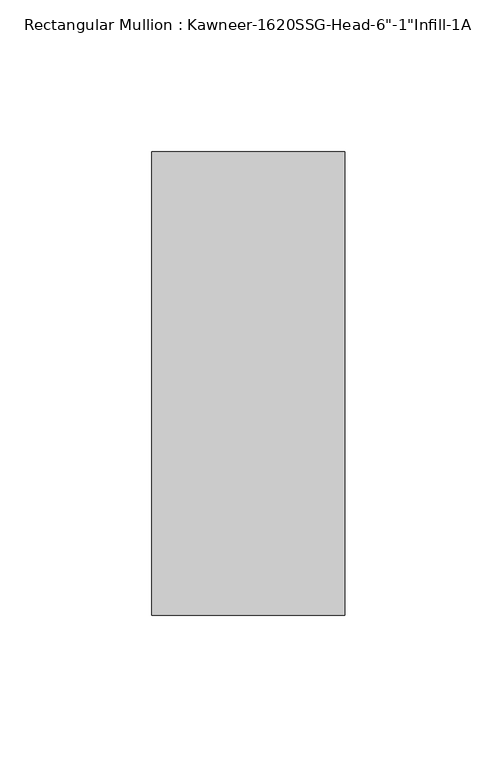
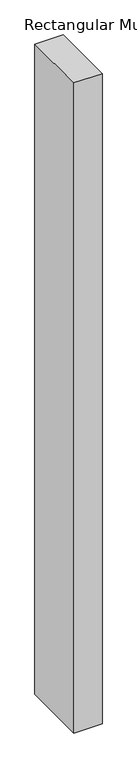
"""IFC4 building model written with IfcOpenShell, lengths in millimetres: member geometry."""

from ifc_helpers import new_model, si_unit, frame, origin, place, context, project, spatial, polyline, outline, extrude, source, transform, mapped, element, save


def member_6bd78ff4(model_context):
    return source(origin(), model_context, "Body", "SweptSolid", [
        extrude(outline(polyline([(-63.5, 38.1), (0.0, 38.1), (0.0, -114.3), (-63.5, -114.3), (-63.5, 38.1)])), frame((0.0, 0.0, -1550.2682369), z_axis=(0.0, 0.0, 1.0), x_axis=(1.0, 0.0, 0.0)), (0.0, 0.0, 1.0), 1550.2682369),
    ])


if __name__ == "__main__":
    model = new_model("IFC4")
    model_context = context("Model", 3, world=origin())
    ifc_project = project(units=[si_unit("LENGTHUNIT", "METRE", prefix="MILLI")], contexts=[model_context])
    site = spatial("IfcSite", under=ifc_project)
    building = spatial("IfcBuilding", under=site)
    placement = place(None, origin())
    member_shape = member_6bd78ff4(model_context)
    element("IfcMember", 1, ObjectType="Rectangular Mullion : Kawneer-1620SSG-Head-6\"-1\"Infill-1A", at=placement, inside=building, context=model_context, shape_type="MappedRepresentation", body=[
        mapped(member_shape, transform((0.0, 0.0, 0.0), x_axis=(1.0, 0.0, 0.0), y_axis=(0.0, 1.0, 0.0), z_axis=(0.0, 0.0, 1.0))),
    ])
    save(model, "model.ifc")
